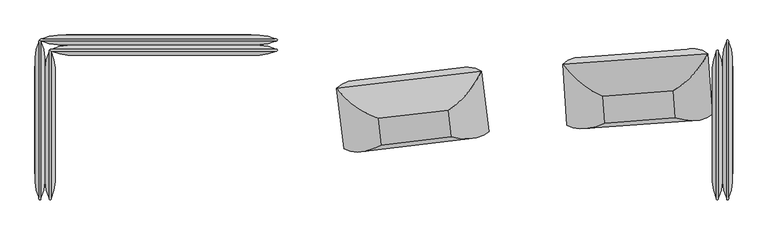
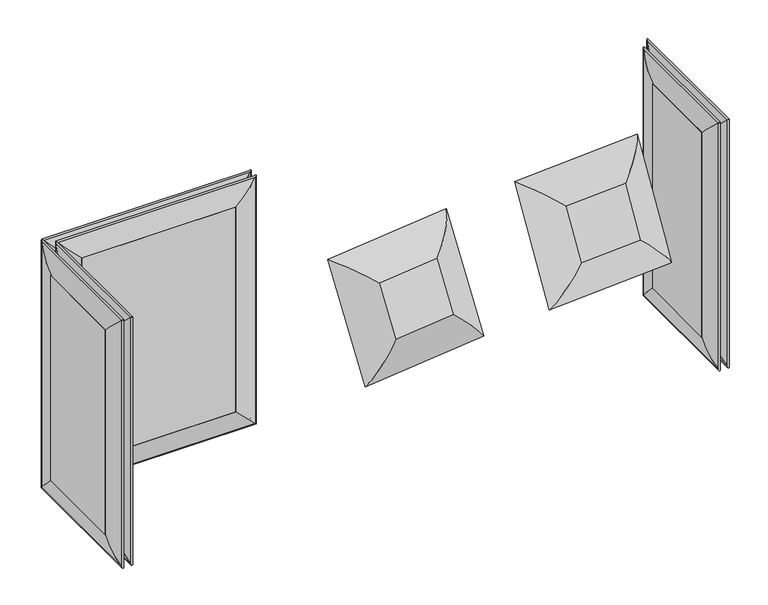
"""IFC4 building model written with IfcOpenShell, lengths in millimetres: furniture geometry."""

from ifc_helpers import new_model, si_unit, frame, origin, place, context, project, spatial, polyline, ellipse_curve, outline, extrude, source, transform, mapped, element, save
from ifc_brep_helpers import plane_surface, cylinder_surface, advanced_brep


def furniture_66ea86db(model_context):
    return source(origin(), model_context, "Body", "SolidModel", [
        advanced_brep(
        [(-1193.8, 410.5220019, 1163.5628297), (-1286.9313317, 425.266915, 1256.6941614), (-1286.9313317, 425.266915, 145.8277373), (-1193.8, 410.5220019, 238.959069), (-1193.8, 446.7279981, 1163.5628297), (-1193.8, 446.7279981, 238.959069), (-1286.9313317, 431.983085, 1256.6941614), (-1286.9313317, 431.983085, 145.8277373), (-405.3436683, 425.266915, 145.8277373), (-498.475, 410.5220019, 238.959069), (-498.475, 446.7279981, 238.959069), (-405.3436683, 431.983085, 145.8277373), (-405.3436683, 425.266915, 1256.6941614), (-498.475, 410.5220019, 1163.5628297), (-498.475, 446.7279981, 1163.5628297), (-405.3436683, 431.983085, 1256.6941614)],
        [
            (0, 1, ellipse_curve(frame((-1212.4967286, 593.9193158, 1182.2595584), z_axis=(-0.7071067811865475, 0.0, -0.7071067811865475), x_axis=(-0.7071067811865474, 0.0, 0.7071067811865476)), 260.707278, 184.3478842)),
            (1, 2),
            (2, 3, ellipse_curve(frame((-1212.4967286, 593.9193158, 220.2623404), z_axis=(-0.7071067811865475, 0.0, 0.7071067811865475), x_axis=(0.7071067811865474, 0.0, 0.7071067811865476)), 260.707278, 184.3478842)),
            (3, 0),
            (4, 0),
            (3, 5),
            (5, 4),
            (6, 4, ellipse_curve(frame((-1212.4967286, 263.3306842, 1182.2595584), z_axis=(-0.7071067811865475, 0.0, -0.7071067811865475), x_axis=(-0.7071067811865474, 0.0, 0.7071067811865476)), 260.707278, 184.3478842)),
            (5, 7, ellipse_curve(frame((-1212.4967286, 263.3306842, 220.2623404), z_axis=(-0.7071067811865475, 0.0, 0.7071067811865475), x_axis=(0.7071067811865474, 0.0, 0.7071067811865476)), 260.707278, 184.3478842)),
            (7, 6),
            (1, 6, ellipse_curve(frame((-1288.5494455, 428.625, 1258.3122753), z_axis=(-0.7071067811865475, 0.0, -0.7071067811865475), x_axis=(-0.7071067811865474, 0.0, 0.7071067811865476)), 5.2716273, 3.7276034)),
            (7, 2, ellipse_curve(frame((-1288.5494455, 428.625, 144.2096235), z_axis=(-0.7071067811865475, 0.0, 0.7071067811865475), x_axis=(0.7071067811865474, 0.0, 0.7071067811865476)), 5.2716273, 3.7276034)),
            (2, 8),
            (8, 9, ellipse_curve(frame((-479.7782714, 593.9193158, 220.2623404), z_axis=(-0.7071067811865475, 0.0, -0.7071067811865475), x_axis=(-0.7071067811865476, 0.0, 0.7071067811865474)), 260.707278, 184.3478842)),
            (9, 3),
            (9, 10),
            (10, 5),
            (10, 11, ellipse_curve(frame((-479.7782714, 263.3306842, 220.2623404), z_axis=(-0.7071067811865475, 0.0, -0.7071067811865475), x_axis=(-0.7071067811865476, 0.0, 0.7071067811865474)), 260.707278, 184.3478842)),
            (11, 7),
            (11, 8, ellipse_curve(frame((-403.7255545, 428.625, 144.2096235), z_axis=(-0.7071067811865475, 0.0, -0.7071067811865475), x_axis=(-0.7071067811865476, 0.0, 0.7071067811865474)), 5.2716273, 3.7276034)),
            (8, 12),
            (12, 13, ellipse_curve(frame((-479.7782714, 593.9193158, 1182.2595584), z_axis=(0.7071067811865475, 0.0, -0.7071067811865475), x_axis=(-0.7071067811865474, 0.0, -0.7071067811865476)), 260.707278, 184.3478842)),
            (13, 9),
            (13, 14),
            (14, 10),
            (14, 15, ellipse_curve(frame((-479.7782714, 263.3306842, 1182.2595584), z_axis=(0.7071067811865475, 0.0, -0.7071067811865475), x_axis=(-0.7071067811865474, 0.0, -0.7071067811865476)), 260.707278, 184.3478842)),
            (15, 11),
            (15, 12, ellipse_curve(frame((-403.7255545, 428.625, 1258.3122753), z_axis=(0.7071067811865475, 0.0, -0.7071067811865475), x_axis=(-0.7071067811865474, 0.0, -0.7071067811865476)), 5.2716273, 3.7276034)),
            (12, 1),
            (0, 13),
            (4, 14),
            (6, 15),
        ],
        [
            cylinder_surface(frame((-1212.4967286, 593.9193158, 1163.5628297), z_axis=(0.0, 0.0, 1.0), x_axis=(0.0, -1.0000000000000002, 0.0)), 184.3478842),
            plane_surface(frame((-1193.8, 410.5220019, 1163.5628297), z_axis=(1.0, 0.0, 0.0), x_axis=(0.0, 0.0, -1.0))),
            cylinder_surface(frame((-1212.4967286, 263.3306842, 1163.5628297), z_axis=(0.0, 0.0, 1.0), x_axis=(0.0, -1.0000000000000002, 0.0)), 184.3478842),
            cylinder_surface(frame((-1288.5494455, 428.625, 1163.5628297), z_axis=(0.0, 0.0, 1.0), x_axis=(0.0, -1.0000000000000002, 0.0)), 3.7276034),
            cylinder_surface(frame((-1193.8, 593.9193158, 220.2623404), z_axis=(-1.0000000000000002, 0.0, 0.0), x_axis=(0.0, -1.0000000000000002, 0.0)), 184.3478842),
            plane_surface(frame((-1193.8, 410.5220019, 238.959069), z_axis=(0.0, 0.0, 1.0), x_axis=(1.0, 0.0, 0.0))),
            cylinder_surface(frame((-1193.8, 263.3306842, 220.2623404), z_axis=(-1.0000000000000002, 0.0, 0.0), x_axis=(0.0, -1.0000000000000002, 0.0)), 184.3478842),
            cylinder_surface(frame((-1193.8, 428.625, 144.2096235), z_axis=(-1.0000000000000002, 0.0, 0.0), x_axis=(0.0, -1.0000000000000002, 0.0)), 3.7276034),
            cylinder_surface(frame((-479.7782714, 593.9193158, 238.959069), z_axis=(0.0, 0.0, -1.0), x_axis=(0.0, -1.0000000000000002, 0.0)), 184.3478842),
            plane_surface(frame((-498.475, 410.5220019, 238.959069), z_axis=(-1.0, 0.0, 0.0), x_axis=(0.0, 0.0, 1.0))),
            cylinder_surface(frame((-479.7782714, 263.3306842, 238.959069), z_axis=(0.0, 0.0, -1.0), x_axis=(0.0, -1.0000000000000002, 0.0)), 184.3478842),
            cylinder_surface(frame((-403.7255545, 428.625, 238.959069), z_axis=(0.0, 0.0, -1.0), x_axis=(0.0, -1.0000000000000002, 0.0)), 3.7276034),
            cylinder_surface(frame((-498.475, 593.9193158, 1182.2595584), z_axis=(1.0000000000000002, 0.0, 0.0), x_axis=(0.0, -1.0000000000000002, 0.0)), 184.3478842),
            plane_surface(frame((-498.475, 410.5220019, 1163.5628297), z_axis=(0.0, 0.0, -1.0), x_axis=(-1.0, 0.0, 0.0))),
            cylinder_surface(frame((-498.475, 263.3306842, 1182.2595584), z_axis=(1.0000000000000002, 0.0, 0.0), x_axis=(0.0, -1.0000000000000002, 0.0)), 184.3478842),
            cylinder_surface(frame((-498.475, 428.625, 1258.3122753), z_axis=(1.0000000000000002, 0.0, 0.0), x_axis=(0.0, -1.0000000000000002, 0.0)), 3.7276034),
        ],
        [
            (0, [[1, 2, 3, 4]]),
            (1, [[5, -4, 6, 7]]),
            (2, [[8, -7, 9, 10]]),
            (3, [[11, -10, 12, -2]]),
            (4, [[-3, 13, 14, 15]]),
            (5, [[-6, -15, 16, 17]]),
            (6, [[-9, -17, 18, 19]]),
            (7, [[-12, -19, 20, -13]]),
            (8, [[-14, 21, 22, 23]]),
            (9, [[-16, -23, 24, 25]]),
            (10, [[-18, -25, 26, 27]]),
            (11, [[-20, -27, 28, -21]]),
            (12, [[-22, 29, -1, 30]]),
            (13, [[-24, -30, -5, 31]]),
            (14, [[-26, -31, -8, 32]]),
            (15, [[-28, -32, -11, -29]]),
        ],
    ),
        extrude(outline(polyline([(-498.475, 447.675), (-498.475, 409.575), (-1193.8, 409.575), (-1193.8, 447.675), (-498.475, 447.675)])), frame((0.0, 0.0, 238.959069), z_axis=(0.0, 0.0, 1.0), x_axis=(1.0, 0.0, 0.0)), (0.0, 0.0, 1.0), 924.6037607),
        advanced_brep(
        [(-1155.7, 372.4220019, 1163.5628297), (-1248.8313317, 387.166915, 1256.6941614), (-1248.8313317, 387.166915, 145.8277373), (-1155.7, 372.4220019, 238.959069), (-1155.7, 408.6279981, 1163.5628297), (-1155.7, 408.6279981, 238.959069), (-1248.8313317, 393.883085, 1256.6941614), (-1248.8313317, 393.883085, 145.8277373), (-405.3436683, 387.166915, 145.8277373), (-498.475, 372.4220019, 238.959069), (-498.475, 408.6279981, 238.959069), (-405.3436683, 393.883085, 145.8277373), (-405.3436683, 387.166915, 1256.6941614), (-498.475, 372.4220019, 1163.5628297), (-498.475, 408.6279981, 1163.5628297), (-405.3436683, 393.883085, 1256.6941614)],
        [
            (0, 1, ellipse_curve(frame((-1174.3967286, 555.8193158, 1182.2595584), z_axis=(-0.7071067811865475, 0.0, -0.7071067811865475), x_axis=(-0.7071067811865474, 0.0, 0.7071067811865476)), 260.707278, 184.3478842)),
            (1, 2),
            (2, 3, ellipse_curve(frame((-1174.3967286, 555.8193158, 220.2623404), z_axis=(-0.7071067811865475, 0.0, 0.7071067811865475), x_axis=(0.7071067811865474, 0.0, 0.7071067811865476)), 260.707278, 184.3478842)),
            (3, 0),
            (4, 0),
            (3, 5),
            (5, 4),
            (6, 4, ellipse_curve(frame((-1174.3967286, 225.2306842, 1182.2595584), z_axis=(-0.7071067811865475, 0.0, -0.7071067811865475), x_axis=(-0.7071067811865474, 0.0, 0.7071067811865476)), 260.707278, 184.3478842)),
            (5, 7, ellipse_curve(frame((-1174.3967286, 225.2306842, 220.2623404), z_axis=(-0.7071067811865475, 0.0, 0.7071067811865475), x_axis=(0.7071067811865474, 0.0, 0.7071067811865476)), 260.707278, 184.3478842)),
            (7, 6),
            (1, 6, ellipse_curve(frame((-1250.4494455, 390.525, 1258.3122753), z_axis=(-0.7071067811865475, 0.0, -0.7071067811865475), x_axis=(-0.7071067811865474, 0.0, 0.7071067811865476)), 5.2716273, 3.7276034)),
            (7, 2, ellipse_curve(frame((-1250.4494455, 390.525, 144.2096235), z_axis=(-0.7071067811865475, 0.0, 0.7071067811865475), x_axis=(0.7071067811865474, 0.0, 0.7071067811865476)), 5.2716273, 3.7276034)),
            (2, 8),
            (8, 9, ellipse_curve(frame((-479.7782714, 555.8193158, 220.2623404), z_axis=(-0.7071067811865475, 0.0, -0.7071067811865475), x_axis=(-0.7071067811865476, 0.0, 0.7071067811865474)), 260.707278, 184.3478842)),
            (9, 3),
            (9, 10),
            (10, 5),
            (10, 11, ellipse_curve(frame((-479.7782714, 225.2306842, 220.2623404), z_axis=(-0.7071067811865475, 0.0, -0.7071067811865475), x_axis=(-0.7071067811865476, 0.0, 0.7071067811865474)), 260.707278, 184.3478842)),
            (11, 7),
            (11, 8, ellipse_curve(frame((-403.7255545, 390.525, 144.2096235), z_axis=(-0.7071067811865475, 0.0, -0.7071067811865475), x_axis=(-0.7071067811865476, 0.0, 0.7071067811865474)), 5.2716273, 3.7276034)),
            (8, 12),
            (12, 13, ellipse_curve(frame((-479.7782714, 555.8193158, 1182.2595584), z_axis=(0.7071067811865475, 0.0, -0.7071067811865475), x_axis=(-0.7071067811865474, 0.0, -0.7071067811865476)), 260.707278, 184.3478842)),
            (13, 9),
            (13, 14),
            (14, 10),
            (14, 15, ellipse_curve(frame((-479.7782714, 225.2306842, 1182.2595584), z_axis=(0.7071067811865475, 0.0, -0.7071067811865475), x_axis=(-0.7071067811865474, 0.0, -0.7071067811865476)), 260.707278, 184.3478842)),
            (15, 11),
            (15, 12, ellipse_curve(frame((-403.7255545, 390.525, 1258.3122753), z_axis=(0.7071067811865475, 0.0, -0.7071067811865475), x_axis=(-0.7071067811865474, 0.0, -0.7071067811865476)), 5.2716273, 3.7276034)),
            (12, 1),
            (0, 13),
            (4, 14),
            (6, 15),
        ],
        [
            cylinder_surface(frame((-1174.3967286, 555.8193158, 1163.5628297), z_axis=(0.0, 0.0, 1.0), x_axis=(0.0, -1.0000000000000002, 0.0)), 184.3478842),
            plane_surface(frame((-1155.7, 372.4220019, 1163.5628297), z_axis=(1.0, 0.0, 0.0), x_axis=(0.0, 0.0, -1.0))),
            cylinder_surface(frame((-1174.3967286, 225.2306842, 1163.5628297), z_axis=(0.0, 0.0, 1.0), x_axis=(0.0, -1.0000000000000002, 0.0)), 184.3478842),
            cylinder_surface(frame((-1250.4494455, 390.525, 1163.5628297), z_axis=(0.0, 0.0, 1.0), x_axis=(0.0, -1.0000000000000002, 0.0)), 3.7276034),
            cylinder_surface(frame((-1155.7, 555.8193158, 220.2623404), z_axis=(-1.0000000000000002, 0.0, 0.0), x_axis=(0.0, -1.0000000000000002, 0.0)), 184.3478842),
            plane_surface(frame((-1155.7, 372.4220019, 238.959069), z_axis=(0.0, 0.0, 1.0), x_axis=(1.0, 0.0, 0.0))),
            cylinder_surface(frame((-1155.7, 225.2306842, 220.2623404), z_axis=(-1.0000000000000002, 0.0, 0.0), x_axis=(0.0, -1.0000000000000002, 0.0)), 184.3478842),
            cylinder_surface(frame((-1155.7, 390.525, 144.2096235), z_axis=(-1.0000000000000002, 0.0, 0.0), x_axis=(0.0, -1.0000000000000002, 0.0)), 3.7276034),
            cylinder_surface(frame((-479.7782714, 555.8193158, 238.959069), z_axis=(0.0, 0.0, -1.0), x_axis=(0.0, -1.0000000000000002, 0.0)), 184.3478842),
            plane_surface(frame((-498.475, 372.4220019, 238.959069), z_axis=(-1.0, 0.0, 0.0), x_axis=(0.0, 0.0, 1.0))),
            cylinder_surface(frame((-479.7782714, 225.2306842, 238.959069), z_axis=(0.0, 0.0, -1.0), x_axis=(0.0, -1.0000000000000002, 0.0)), 184.3478842),
            cylinder_surface(frame((-403.7255545, 390.525, 238.959069), z_axis=(0.0, 0.0, -1.0), x_axis=(0.0, -1.0000000000000002, 0.0)), 3.7276034),
            cylinder_surface(frame((-498.475, 555.8193158, 1182.2595584), z_axis=(1.0000000000000002, 0.0, 0.0), x_axis=(0.0, -1.0000000000000002, 0.0)), 184.3478842),
            plane_surface(frame((-498.475, 372.4220019, 1163.5628297), z_axis=(0.0, 0.0, -1.0), x_axis=(-1.0, 0.0, 0.0))),
            cylinder_surface(frame((-498.475, 225.2306842, 1182.2595584), z_axis=(1.0000000000000002, 0.0, 0.0), x_axis=(0.0, -1.0000000000000002, 0.0)), 184.3478842),
            cylinder_surface(frame((-498.475, 390.525, 1258.3122753), z_axis=(1.0000000000000002, 0.0, 0.0), x_axis=(0.0, -1.0000000000000002, 0.0)), 3.7276034),
        ],
        [
            (0, [[1, 2, 3, 4]]),
            (1, [[5, -4, 6, 7]]),
            (2, [[8, -7, 9, 10]]),
            (3, [[11, -10, 12, -2]]),
            (4, [[-3, 13, 14, 15]]),
            (5, [[-6, -15, 16, 17]]),
            (6, [[-9, -17, 18, 19]]),
            (7, [[-12, -19, 20, -13]]),
            (8, [[-14, 21, 22, 23]]),
            (9, [[-16, -23, 24, 25]]),
            (10, [[-18, -25, 26, 27]]),
            (11, [[-20, -27, 28, -21]]),
            (12, [[-22, 29, -1, 30]]),
            (13, [[-24, -30, -5, 31]]),
            (14, [[-26, -31, -8, 32]]),
            (15, [[-28, -32, -11, -29]]),
        ],
    ),
        extrude(outline(polyline([(-498.475, 409.575), (-498.475, 371.475), (-1155.7, 371.475), (-1155.7, 409.575), (-498.475, 409.575)])), frame((0.0, 0.0, 238.959069), z_axis=(0.0, 0.0, 1.0), x_axis=(1.0, 0.0, 0.0)), (0.0, 0.0, 1.0), 924.6037607),
        advanced_brep(
        [(1236.0220019, -73.025, 1163.5628297), (1236.0220019, -73.025, 238.959069), (1250.766915, -166.1563317, 145.8277373), (1250.766915, -166.1563317, 1256.6941614), (1272.2279981, -73.025, 1163.5628297), (1272.2279981, -73.025, 238.959069), (1257.483085, -166.1563317, 1256.6941614), (1257.483085, -166.1563317, 145.8277373), (1236.0220019, 292.1, 238.959069), (1250.766915, 385.2313317, 145.8277373), (1272.2279981, 292.1, 238.959069), (1257.483085, 385.2313317, 145.8277373), (1236.0220019, 292.1, 1163.5628297), (1250.766915, 385.2313317, 1256.6941614), (1272.2279981, 292.1, 1163.5628297), (1257.483085, 385.2313317, 1256.6941614)],
        [
            (0, 1),
            (1, 2, ellipse_curve(frame((1419.4193158, -91.7217286, 220.2623404), z_axis=(0.0, -0.7071067811865475, 0.7071067811865475), x_axis=(0.0, 0.7071067811865474, 0.7071067811865476)), 260.707278, 184.3478842)),
            (2, 3),
            (3, 0, ellipse_curve(frame((1419.4193158, -91.7217286, 1182.2595584), z_axis=(0.0, -0.7071067811865475, -0.7071067811865475), x_axis=(0.0, -0.7071067811865474, 0.7071067811865476)), 260.707278, 184.3478842)),
            (4, 5),
            (5, 1),
            (0, 4),
            (6, 7),
            (7, 5, ellipse_curve(frame((1088.8306842, -91.7217286, 220.2623404), z_axis=(0.0, -0.7071067811865475, 0.7071067811865475), x_axis=(0.0, 0.7071067811865474, 0.7071067811865476)), 260.707278, 184.3478842)),
            (4, 6, ellipse_curve(frame((1088.8306842, -91.7217286, 1182.2595584), z_axis=(0.0, -0.7071067811865475, -0.7071067811865475), x_axis=(0.0, -0.7071067811865474, 0.7071067811865476)), 260.707278, 184.3478842)),
            (2, 7, ellipse_curve(frame((1254.125, -167.7744455, 144.2096235), z_axis=(0.0, -0.7071067811865475, 0.7071067811865475), x_axis=(0.0, 0.7071067811865474, 0.7071067811865476)), 5.2716273, 3.7276034)),
            (6, 3, ellipse_curve(frame((1254.125, -167.7744455, 1258.3122753), z_axis=(0.0, -0.7071067811865475, -0.7071067811865475), x_axis=(0.0, -0.7071067811865474, 0.7071067811865476)), 5.2716273, 3.7276034)),
            (1, 8),
            (8, 9, ellipse_curve(frame((1419.4193158, 310.7967286, 220.2623404), z_axis=(0.0, -0.7071067811865475, -0.7071067811865475), x_axis=(0.0, -0.7071067811865476, 0.7071067811865474)), 260.707278, 184.3478842)),
            (9, 2),
            (5, 10),
            (10, 8),
            (7, 11),
            (11, 10, ellipse_curve(frame((1088.8306842, 310.7967286, 220.2623404), z_axis=(0.0, -0.7071067811865475, -0.7071067811865475), x_axis=(0.0, -0.7071067811865476, 0.7071067811865474)), 260.707278, 184.3478842)),
            (9, 11, ellipse_curve(frame((1254.125, 386.8494455, 144.2096235), z_axis=(0.0, -0.7071067811865475, -0.7071067811865475), x_axis=(0.0, -0.7071067811865476, 0.7071067811865474)), 5.2716273, 3.7276034)),
            (8, 12),
            (12, 13, ellipse_curve(frame((1419.4193158, 310.7967286, 1182.2595584), z_axis=(0.0, 0.7071067811865475, -0.7071067811865475), x_axis=(0.0, -0.7071067811865474, -0.7071067811865476)), 260.707278, 184.3478842)),
            (13, 9),
            (10, 14),
            (14, 12),
            (11, 15),
            (15, 14, ellipse_curve(frame((1088.8306842, 310.7967286, 1182.2595584), z_axis=(0.0, 0.7071067811865475, -0.7071067811865475), x_axis=(0.0, -0.7071067811865474, -0.7071067811865476)), 260.707278, 184.3478842)),
            (13, 15, ellipse_curve(frame((1254.125, 386.8494455, 1258.3122753), z_axis=(0.0, 0.7071067811865475, -0.7071067811865475), x_axis=(0.0, -0.7071067811865474, -0.7071067811865476)), 5.2716273, 3.7276034)),
            (12, 0),
            (3, 13),
            (14, 4),
            (15, 6),
        ],
        [
            cylinder_surface(frame((1419.4193158, -91.7217286, 1163.5628297), z_axis=(0.0, 0.0, 1.0), x_axis=(-1.0000000000000002, 0.0, 0.0)), 184.3478842),
            plane_surface(frame((1236.0220019, -73.025, 1163.5628297), z_axis=(0.0, 1.0, 0.0), x_axis=(0.0, 0.0, -1.0))),
            cylinder_surface(frame((1088.8306842, -91.7217286, 1163.5628297), z_axis=(0.0, 0.0, 1.0), x_axis=(-1.0000000000000002, 0.0, 0.0)), 184.3478842),
            cylinder_surface(frame((1254.125, -167.7744455, 1163.5628297), z_axis=(0.0, 0.0, 1.0), x_axis=(-1.0000000000000002, 0.0, 0.0)), 3.7276034),
            cylinder_surface(frame((1419.4193158, -73.025, 220.2623404), z_axis=(0.0, -1.0000000000000002, 0.0), x_axis=(-1.0000000000000002, 0.0, 0.0)), 184.3478842),
            plane_surface(frame((1236.0220019, -73.025, 238.959069), z_axis=(0.0, 0.0, 1.0), x_axis=(0.0, 1.0, 0.0))),
            cylinder_surface(frame((1088.8306842, -73.025, 220.2623404), z_axis=(0.0, -1.0000000000000002, 0.0), x_axis=(-1.0000000000000002, 0.0, 0.0)), 184.3478842),
            cylinder_surface(frame((1254.125, -73.025, 144.2096235), z_axis=(0.0, -1.0000000000000002, 0.0), x_axis=(-1.0000000000000002, 0.0, 0.0)), 3.7276034),
            cylinder_surface(frame((1419.4193158, 310.7967286, 238.959069), z_axis=(0.0, 0.0, -1.0), x_axis=(-1.0000000000000002, 0.0, 0.0)), 184.3478842),
            plane_surface(frame((1236.0220019, 292.1, 238.959069), z_axis=(0.0, -1.0, 0.0), x_axis=(0.0, 0.0, 1.0))),
            cylinder_surface(frame((1088.8306842, 310.7967286, 238.959069), z_axis=(0.0, 0.0, -1.0), x_axis=(-1.0000000000000002, 0.0, 0.0)), 184.3478842),
            cylinder_surface(frame((1254.125, 386.8494455, 238.959069), z_axis=(0.0, 0.0, -1.0), x_axis=(-1.0000000000000002, 0.0, 0.0)), 3.7276034),
            cylinder_surface(frame((1419.4193158, 292.1, 1182.2595584), z_axis=(0.0, 1.0000000000000002, 0.0), x_axis=(-1.0000000000000002, 0.0, 0.0)), 184.3478842),
            plane_surface(frame((1236.0220019, 292.1, 1163.5628297), z_axis=(0.0, 0.0, -1.0), x_axis=(0.0, -1.0, 0.0))),
            cylinder_surface(frame((1088.8306842, 292.1, 1182.2595584), z_axis=(0.0, 1.0000000000000002, 0.0), x_axis=(-1.0000000000000002, 0.0, 0.0)), 184.3478842),
            cylinder_surface(frame((1254.125, 292.1, 1258.3122753), z_axis=(0.0, 1.0000000000000002, 0.0), x_axis=(-1.0000000000000002, 0.0, 0.0)), 3.7276034),
        ],
        [
            (0, [[1, 2, 3, 4]]),
            (1, [[5, 6, -1, 7]]),
            (2, [[8, 9, -5, 10]]),
            (3, [[-3, 11, -8, 12]]),
            (4, [[13, 14, 15, -2]]),
            (5, [[16, 17, -13, -6]]),
            (6, [[18, 19, -16, -9]]),
            (7, [[-15, 20, -18, -11]]),
            (8, [[21, 22, 23, -14]]),
            (9, [[24, 25, -21, -17]]),
            (10, [[26, 27, -24, -19]]),
            (11, [[-23, 28, -26, -20]]),
            (12, [[29, -4, 30, -22]]),
            (13, [[31, -7, -29, -25]]),
            (14, [[32, -10, -31, -27]]),
            (15, [[-30, -12, -32, -28]]),
        ],
    ),
        extrude(outline(polyline([(1273.175, 292.1), (1273.175, -73.025), (1235.075, -73.025), (1235.075, 292.1), (1273.175, 292.1)])), frame((0.0, 0.0, 238.959069), z_axis=(0.0, 0.0, 1.0), x_axis=(1.0, 0.0, 0.0)), (0.0, 0.0, 1.0), 924.6037607),
        advanced_brep(
        [(1274.1220019, -73.025, 1163.5628297), (1274.1220019, -73.025, 238.959069), (1288.866915, -166.1563317, 145.8277373), (1288.866915, -166.1563317, 1256.6941614), (1310.3279981, -73.025, 1163.5628297), (1310.3279981, -73.025, 238.959069), (1295.583085, -166.1563317, 1256.6941614), (1295.583085, -166.1563317, 145.8277373), (1274.1220019, 330.2, 238.959069), (1288.866915, 423.3313317, 145.8277373), (1310.3279981, 330.2, 238.959069), (1295.583085, 423.3313317, 145.8277373), (1274.1220019, 330.2, 1163.5628297), (1288.866915, 423.3313317, 1256.6941614), (1310.3279981, 330.2, 1163.5628297), (1295.583085, 423.3313317, 1256.6941614)],
        [
            (0, 1),
            (1, 2, ellipse_curve(frame((1457.5193158, -91.7217286, 220.2623404), z_axis=(0.0, -0.7071067811865475, 0.7071067811865475), x_axis=(0.0, 0.7071067811865474, 0.7071067811865476)), 260.707278, 184.3478842)),
            (2, 3),
            (3, 0, ellipse_curve(frame((1457.5193158, -91.7217286, 1182.2595584), z_axis=(0.0, -0.7071067811865475, -0.7071067811865475), x_axis=(0.0, -0.7071067811865474, 0.7071067811865476)), 260.707278, 184.3478842)),
            (4, 5),
            (5, 1),
            (0, 4),
            (6, 7),
            (7, 5, ellipse_curve(frame((1126.9306842, -91.7217286, 220.2623404), z_axis=(0.0, -0.7071067811865475, 0.7071067811865475), x_axis=(0.0, 0.7071067811865474, 0.7071067811865476)), 260.707278, 184.3478842)),
            (4, 6, ellipse_curve(frame((1126.9306842, -91.7217286, 1182.2595584), z_axis=(0.0, -0.7071067811865475, -0.7071067811865475), x_axis=(0.0, -0.7071067811865474, 0.7071067811865476)), 260.707278, 184.3478842)),
            (2, 7, ellipse_curve(frame((1292.225, -167.7744455, 144.2096235), z_axis=(0.0, -0.7071067811865475, 0.7071067811865475), x_axis=(0.0, 0.7071067811865474, 0.7071067811865476)), 5.2716273, 3.7276034)),
            (6, 3, ellipse_curve(frame((1292.225, -167.7744455, 1258.3122753), z_axis=(0.0, -0.7071067811865475, -0.7071067811865475), x_axis=(0.0, -0.7071067811865474, 0.7071067811865476)), 5.2716273, 3.7276034)),
            (1, 8),
            (8, 9, ellipse_curve(frame((1457.5193158, 348.8967286, 220.2623404), z_axis=(0.0, -0.7071067811865475, -0.7071067811865475), x_axis=(0.0, -0.7071067811865476, 0.7071067811865474)), 260.707278, 184.3478842)),
            (9, 2),
            (5, 10),
            (10, 8),
            (7, 11),
            (11, 10, ellipse_curve(frame((1126.9306842, 348.8967286, 220.2623404), z_axis=(0.0, -0.7071067811865475, -0.7071067811865475), x_axis=(0.0, -0.7071067811865476, 0.7071067811865474)), 260.707278, 184.3478842)),
            (9, 11, ellipse_curve(frame((1292.225, 424.9494455, 144.2096235), z_axis=(0.0, -0.7071067811865475, -0.7071067811865475), x_axis=(0.0, -0.7071067811865476, 0.7071067811865474)), 5.2716273, 3.7276034)),
            (8, 12),
            (12, 13, ellipse_curve(frame((1457.5193158, 348.8967286, 1182.2595584), z_axis=(0.0, 0.7071067811865475, -0.7071067811865475), x_axis=(0.0, -0.7071067811865474, -0.7071067811865476)), 260.707278, 184.3478842)),
            (13, 9),
            (10, 14),
            (14, 12),
            (11, 15),
            (15, 14, ellipse_curve(frame((1126.9306842, 348.8967286, 1182.2595584), z_axis=(0.0, 0.7071067811865475, -0.7071067811865475), x_axis=(0.0, -0.7071067811865474, -0.7071067811865476)), 260.707278, 184.3478842)),
            (13, 15, ellipse_curve(frame((1292.225, 424.9494455, 1258.3122753), z_axis=(0.0, 0.7071067811865475, -0.7071067811865475), x_axis=(0.0, -0.7071067811865474, -0.7071067811865476)), 5.2716273, 3.7276034)),
            (12, 0),
            (3, 13),
            (14, 4),
            (15, 6),
        ],
        [
            cylinder_surface(frame((1457.5193158, -91.7217286, 1163.5628297), z_axis=(0.0, 0.0, 1.0), x_axis=(-1.0000000000000002, 0.0, 0.0)), 184.3478842),
            plane_surface(frame((1274.1220019, -73.025, 1163.5628297), z_axis=(0.0, 1.0, 0.0), x_axis=(0.0, 0.0, -1.0))),
            cylinder_surface(frame((1126.9306842, -91.7217286, 1163.5628297), z_axis=(0.0, 0.0, 1.0), x_axis=(-1.0000000000000002, 0.0, 0.0)), 184.3478842),
            cylinder_surface(frame((1292.225, -167.7744455, 1163.5628297), z_axis=(0.0, 0.0, 1.0), x_axis=(-1.0000000000000002, 0.0, 0.0)), 3.7276034),
            cylinder_surface(frame((1457.5193158, -73.025, 220.2623404), z_axis=(0.0, -1.0000000000000002, 0.0), x_axis=(-1.0000000000000002, 0.0, 0.0)), 184.3478842),
            plane_surface(frame((1274.1220019, -73.025, 238.959069), z_axis=(0.0, 0.0, 1.0), x_axis=(0.0, 1.0, 0.0))),
            cylinder_surface(frame((1126.9306842, -73.025, 220.2623404), z_axis=(0.0, -1.0000000000000002, 0.0), x_axis=(-1.0000000000000002, 0.0, 0.0)), 184.3478842),
            cylinder_surface(frame((1292.225, -73.025, 144.2096235), z_axis=(0.0, -1.0000000000000002, 0.0), x_axis=(-1.0000000000000002, 0.0, 0.0)), 3.7276034),
            cylinder_surface(frame((1457.5193158, 348.8967286, 238.959069), z_axis=(0.0, 0.0, -1.0), x_axis=(-1.0000000000000002, 0.0, 0.0)), 184.3478842),
            plane_surface(frame((1274.1220019, 330.2, 238.959069), z_axis=(0.0, -1.0, 0.0), x_axis=(0.0, 0.0, 1.0))),
            cylinder_surface(frame((1126.9306842, 348.8967286, 238.959069), z_axis=(0.0, 0.0, -1.0), x_axis=(-1.0000000000000002, 0.0, 0.0)), 184.3478842),
            cylinder_surface(frame((1292.225, 424.9494455, 238.959069), z_axis=(0.0, 0.0, -1.0), x_axis=(-1.0000000000000002, 0.0, 0.0)), 3.7276034),
            cylinder_surface(frame((1457.5193158, 330.2, 1182.2595584), z_axis=(0.0, 1.0000000000000002, 0.0), x_axis=(-1.0000000000000002, 0.0, 0.0)), 184.3478842),
            plane_surface(frame((1274.1220019, 330.2, 1163.5628297), z_axis=(0.0, 0.0, -1.0), x_axis=(0.0, -1.0, 0.0))),
            cylinder_surface(frame((1126.9306842, 330.2, 1182.2595584), z_axis=(0.0, 1.0000000000000002, 0.0), x_axis=(-1.0000000000000002, 0.0, 0.0)), 184.3478842),
            cylinder_surface(frame((1292.225, 330.2, 1258.3122753), z_axis=(0.0, 1.0000000000000002, 0.0), x_axis=(-1.0000000000000002, 0.0, 0.0)), 3.7276034),
        ],
        [
            (0, [[1, 2, 3, 4]]),
            (1, [[5, 6, -1, 7]]),
            (2, [[8, 9, -5, 10]]),
            (3, [[-3, 11, -8, 12]]),
            (4, [[13, 14, 15, -2]]),
            (5, [[16, 17, -13, -6]]),
            (6, [[18, 19, -16, -9]]),
            (7, [[-15, 20, -18, -11]]),
            (8, [[21, 22, 23, -14]]),
            (9, [[24, 25, -21, -17]]),
            (10, [[26, 27, -24, -19]]),
            (11, [[-23, 28, -26, -20]]),
            (12, [[29, -4, 30, -22]]),
            (13, [[31, -7, -29, -25]]),
            (14, [[32, -10, -31, -27]]),
            (15, [[-30, -12, -32, -28]]),
        ],
    ),
        extrude(outline(polyline([(1311.275, 330.2), (1311.275, -73.025), (1273.175, -73.025), (1273.175, 330.2), (1311.275, 330.2)])), frame((0.0, 0.0, 238.959069), z_axis=(0.0, 0.0, 1.0), x_axis=(1.0, 0.0, 0.0)), (0.0, 0.0, 1.0), 924.6037607),
        advanced_brep(
        [(-1236.0220019, -73.025, 1163.5628297), (-1250.766915, -166.1563317, 1256.6941614), (-1250.766915, -166.1563317, 145.8277373), (-1236.0220019, -73.025, 238.959069), (-1272.2279981, -73.025, 1163.5628297), (-1272.2279981, -73.025, 238.959069), (-1257.483085, -166.1563317, 1256.6941614), (-1257.483085, -166.1563317, 145.8277373), (-1250.766915, 385.2313317, 145.8277373), (-1236.0220019, 292.1, 238.959069), (-1272.2279981, 292.1, 238.959069), (-1257.483085, 385.2313317, 145.8277373), (-1250.766915, 385.2313317, 1256.6941614), (-1236.0220019, 292.1, 1163.5628297), (-1272.2279981, 292.1, 1163.5628297), (-1257.483085, 385.2313317, 1256.6941614)],
        [
            (0, 1, ellipse_curve(frame((-1419.4193158, -91.7217286, 1182.2595584), z_axis=(0.0, -0.7071067811865475, -0.7071067811865475), x_axis=(0.0, -0.7071067811865474, 0.7071067811865476)), 260.707278, 184.3478842)),
            (1, 2),
            (2, 3, ellipse_curve(frame((-1419.4193158, -91.7217286, 220.2623404), z_axis=(0.0, -0.7071067811865475, 0.7071067811865475), x_axis=(0.0, 0.7071067811865474, 0.7071067811865476)), 260.707278, 184.3478842)),
            (3, 0),
            (4, 0),
            (3, 5),
            (5, 4),
            (6, 4, ellipse_curve(frame((-1088.8306842, -91.7217286, 1182.2595584), z_axis=(0.0, -0.7071067811865475, -0.7071067811865475), x_axis=(0.0, -0.7071067811865474, 0.7071067811865476)), 260.707278, 184.3478842)),
            (5, 7, ellipse_curve(frame((-1088.8306842, -91.7217286, 220.2623404), z_axis=(0.0, -0.7071067811865475, 0.7071067811865475), x_axis=(0.0, 0.7071067811865474, 0.7071067811865476)), 260.707278, 184.3478842)),
            (7, 6),
            (1, 6, ellipse_curve(frame((-1254.125, -167.7744455, 1258.3122753), z_axis=(0.0, -0.7071067811865475, -0.7071067811865475), x_axis=(0.0, -0.7071067811865474, 0.7071067811865476)), 5.2716273, 3.7276034)),
            (7, 2, ellipse_curve(frame((-1254.125, -167.7744455, 144.2096235), z_axis=(0.0, -0.7071067811865475, 0.7071067811865475), x_axis=(0.0, 0.7071067811865474, 0.7071067811865476)), 5.2716273, 3.7276034)),
            (2, 8),
            (8, 9, ellipse_curve(frame((-1419.4193158, 310.7967286, 220.2623404), z_axis=(0.0, -0.7071067811865475, -0.7071067811865475), x_axis=(0.0, -0.7071067811865476, 0.7071067811865474)), 260.707278, 184.3478842)),
            (9, 3),
            (9, 10),
            (10, 5),
            (10, 11, ellipse_curve(frame((-1088.8306842, 310.7967286, 220.2623404), z_axis=(0.0, -0.7071067811865475, -0.7071067811865475), x_axis=(0.0, -0.7071067811865476, 0.7071067811865474)), 260.707278, 184.3478842)),
            (11, 7),
            (11, 8, ellipse_curve(frame((-1254.125, 386.8494455, 144.2096235), z_axis=(0.0, -0.7071067811865475, -0.7071067811865475), x_axis=(0.0, -0.7071067811865476, 0.7071067811865474)), 5.2716273, 3.7276034)),
            (8, 12),
            (12, 13, ellipse_curve(frame((-1419.4193158, 310.7967286, 1182.2595584), z_axis=(0.0, 0.7071067811865475, -0.7071067811865475), x_axis=(0.0, -0.7071067811865474, -0.7071067811865476)), 260.707278, 184.3478842)),
            (13, 9),
            (13, 14),
            (14, 10),
            (14, 15, ellipse_curve(frame((-1088.8306842, 310.7967286, 1182.2595584), z_axis=(0.0, 0.7071067811865475, -0.7071067811865475), x_axis=(0.0, -0.7071067811865474, -0.7071067811865476)), 260.707278, 184.3478842)),
            (15, 11),
            (15, 12, ellipse_curve(frame((-1254.125, 386.8494455, 1258.3122753), z_axis=(0.0, 0.7071067811865475, -0.7071067811865475), x_axis=(0.0, -0.7071067811865474, -0.7071067811865476)), 5.2716273, 3.7276034)),
            (12, 1),
            (0, 13),
            (4, 14),
            (6, 15),
        ],
        [
            cylinder_surface(frame((-1419.4193158, -91.7217286, 1163.5628297), z_axis=(0.0, 0.0, 1.0), x_axis=(1.0000000000000002, 0.0, 0.0)), 184.3478842),
            plane_surface(frame((-1236.0220019, -73.025, 1163.5628297), z_axis=(0.0, 1.0, 0.0), x_axis=(0.0, 0.0, -1.0))),
            cylinder_surface(frame((-1088.8306842, -91.7217286, 1163.5628297), z_axis=(0.0, 0.0, 1.0), x_axis=(1.0000000000000002, 0.0, 0.0)), 184.3478842),
            cylinder_surface(frame((-1254.125, -167.7744455, 1163.5628297), z_axis=(0.0, 0.0, 1.0), x_axis=(1.0000000000000002, 0.0, 0.0)), 3.7276034),
            cylinder_surface(frame((-1419.4193158, -73.025, 220.2623404), z_axis=(0.0, -1.0000000000000002, 0.0), x_axis=(1.0000000000000002, 0.0, 0.0)), 184.3478842),
            plane_surface(frame((-1236.0220019, -73.025, 238.959069), z_axis=(0.0, 0.0, 1.0), x_axis=(0.0, 1.0, 0.0))),
            cylinder_surface(frame((-1088.8306842, -73.025, 220.2623404), z_axis=(0.0, -1.0000000000000002, 0.0), x_axis=(1.0000000000000002, 0.0, 0.0)), 184.3478842),
            cylinder_surface(frame((-1254.125, -73.025, 144.2096235), z_axis=(0.0, -1.0000000000000002, 0.0), x_axis=(1.0000000000000002, 0.0, 0.0)), 3.7276034),
            cylinder_surface(frame((-1419.4193158, 310.7967286, 238.959069), z_axis=(0.0, 0.0, -1.0), x_axis=(1.0000000000000002, 0.0, 0.0)), 184.3478842),
            plane_surface(frame((-1236.0220019, 292.1, 238.959069), z_axis=(0.0, -1.0, 0.0), x_axis=(0.0, 0.0, 1.0))),
            cylinder_surface(frame((-1088.8306842, 310.7967286, 238.959069), z_axis=(0.0, 0.0, -1.0), x_axis=(1.0000000000000002, 0.0, 0.0)), 184.3478842),
            cylinder_surface(frame((-1254.125, 386.8494455, 238.959069), z_axis=(0.0, 0.0, -1.0), x_axis=(1.0000000000000002, 0.0, 0.0)), 3.7276034),
            cylinder_surface(frame((-1419.4193158, 292.1, 1182.2595584), z_axis=(0.0, 1.0000000000000002, 0.0), x_axis=(1.0000000000000002, 0.0, 0.0)), 184.3478842),
            plane_surface(frame((-1236.0220019, 292.1, 1163.5628297), z_axis=(0.0, 0.0, -1.0), x_axis=(0.0, -1.0, 0.0))),
            cylinder_surface(frame((-1088.8306842, 292.1, 1182.2595584), z_axis=(0.0, 1.0000000000000002, 0.0), x_axis=(1.0000000000000002, 0.0, 0.0)), 184.3478842),
            cylinder_surface(frame((-1254.125, 292.1, 1258.3122753), z_axis=(0.0, 1.0000000000000002, 0.0), x_axis=(1.0000000000000002, 0.0, 0.0)), 3.7276034),
        ],
        [
            (0, [[1, 2, 3, 4]]),
            (1, [[5, -4, 6, 7]]),
            (2, [[8, -7, 9, 10]]),
            (3, [[11, -10, 12, -2]]),
            (4, [[-3, 13, 14, 15]]),
            (5, [[-6, -15, 16, 17]]),
            (6, [[-9, -17, 18, 19]]),
            (7, [[-12, -19, 20, -13]]),
            (8, [[-14, 21, 22, 23]]),
            (9, [[-16, -23, 24, 25]]),
            (10, [[-18, -25, 26, 27]]),
            (11, [[-20, -27, 28, -21]]),
            (12, [[-22, 29, -1, 30]]),
            (13, [[-24, -30, -5, 31]]),
            (14, [[-26, -31, -8, 32]]),
            (15, [[-28, -32, -11, -29]]),
        ],
    ),
        extrude(outline(polyline([(-1273.175, 292.1), (-1235.075, 292.1), (-1235.075, -73.025), (-1273.175, -73.025), (-1273.175, 292.1)])), frame((0.0, 0.0, 238.959069), z_axis=(0.0, 0.0, 1.0), x_axis=(1.0, 0.0, 0.0)), (0.0, 0.0, 1.0), 924.6037607),
        advanced_brep(
        [(-1274.1220019, -73.025, 1163.5628297), (-1288.866915, -166.1563317, 1256.6941614), (-1288.866915, -166.1563317, 145.8277373), (-1274.1220019, -73.025, 238.959069), (-1310.3279981, -73.025, 1163.5628297), (-1310.3279981, -73.025, 238.959069), (-1295.583085, -166.1563317, 1256.6941614), (-1295.583085, -166.1563317, 145.8277373), (-1288.866915, 423.3313317, 145.8277373), (-1274.1220019, 330.2, 238.959069), (-1310.3279981, 330.2, 238.959069), (-1295.583085, 423.3313317, 145.8277373), (-1288.866915, 423.3313317, 1256.6941614), (-1274.1220019, 330.2, 1163.5628297), (-1310.3279981, 330.2, 1163.5628297), (-1295.583085, 423.3313317, 1256.6941614)],
        [
            (0, 1, ellipse_curve(frame((-1457.5193158, -91.7217286, 1182.2595584), z_axis=(0.0, -0.7071067811865475, -0.7071067811865475), x_axis=(0.0, -0.7071067811865474, 0.7071067811865476)), 260.707278, 184.3478842)),
            (1, 2),
            (2, 3, ellipse_curve(frame((-1457.5193158, -91.7217286, 220.2623404), z_axis=(0.0, -0.7071067811865475, 0.7071067811865475), x_axis=(0.0, 0.7071067811865474, 0.7071067811865476)), 260.707278, 184.3478842)),
            (3, 0),
            (4, 0),
            (3, 5),
            (5, 4),
            (6, 4, ellipse_curve(frame((-1126.9306842, -91.7217286, 1182.2595584), z_axis=(0.0, -0.7071067811865475, -0.7071067811865475), x_axis=(0.0, -0.7071067811865474, 0.7071067811865476)), 260.707278, 184.3478842)),
            (5, 7, ellipse_curve(frame((-1126.9306842, -91.7217286, 220.2623404), z_axis=(0.0, -0.7071067811865475, 0.7071067811865475), x_axis=(0.0, 0.7071067811865474, 0.7071067811865476)), 260.707278, 184.3478842)),
            (7, 6),
            (1, 6, ellipse_curve(frame((-1292.225, -167.7744455, 1258.3122753), z_axis=(0.0, -0.7071067811865475, -0.7071067811865475), x_axis=(0.0, -0.7071067811865474, 0.7071067811865476)), 5.2716273, 3.7276034)),
            (7, 2, ellipse_curve(frame((-1292.225, -167.7744455, 144.2096235), z_axis=(0.0, -0.7071067811865475, 0.7071067811865475), x_axis=(0.0, 0.7071067811865474, 0.7071067811865476)), 5.2716273, 3.7276034)),
            (2, 8),
            (8, 9, ellipse_curve(frame((-1457.5193158, 348.8967286, 220.2623404), z_axis=(0.0, -0.7071067811865475, -0.7071067811865475), x_axis=(0.0, -0.7071067811865476, 0.7071067811865474)), 260.707278, 184.3478842)),
            (9, 3),
            (9, 10),
            (10, 5),
            (10, 11, ellipse_curve(frame((-1126.9306842, 348.8967286, 220.2623404), z_axis=(0.0, -0.7071067811865475, -0.7071067811865475), x_axis=(0.0, -0.7071067811865476, 0.7071067811865474)), 260.707278, 184.3478842)),
            (11, 7),
            (11, 8, ellipse_curve(frame((-1292.225, 424.9494455, 144.2096235), z_axis=(0.0, -0.7071067811865475, -0.7071067811865475), x_axis=(0.0, -0.7071067811865476, 0.7071067811865474)), 5.2716273, 3.7276034)),
            (8, 12),
            (12, 13, ellipse_curve(frame((-1457.5193158, 348.8967286, 1182.2595584), z_axis=(0.0, 0.7071067811865475, -0.7071067811865475), x_axis=(0.0, -0.7071067811865474, -0.7071067811865476)), 260.707278, 184.3478842)),
            (13, 9),
            (13, 14),
            (14, 10),
            (14, 15, ellipse_curve(frame((-1126.9306842, 348.8967286, 1182.2595584), z_axis=(0.0, 0.7071067811865475, -0.7071067811865475), x_axis=(0.0, -0.7071067811865474, -0.7071067811865476)), 260.707278, 184.3478842)),
            (15, 11),
            (15, 12, ellipse_curve(frame((-1292.225, 424.9494455, 1258.3122753), z_axis=(0.0, 0.7071067811865475, -0.7071067811865475), x_axis=(0.0, -0.7071067811865474, -0.7071067811865476)), 5.2716273, 3.7276034)),
            (12, 1),
            (0, 13),
            (4, 14),
            (6, 15),
        ],
        [
            cylinder_surface(frame((-1457.5193158, -91.7217286, 1163.5628297), z_axis=(0.0, 0.0, 1.0), x_axis=(1.0000000000000002, 0.0, 0.0)), 184.3478842),
            plane_surface(frame((-1274.1220019, -73.025, 1163.5628297), z_axis=(0.0, 1.0, 0.0), x_axis=(0.0, 0.0, -1.0))),
            cylinder_surface(frame((-1126.9306842, -91.7217286, 1163.5628297), z_axis=(0.0, 0.0, 1.0), x_axis=(1.0000000000000002, 0.0, 0.0)), 184.3478842),
            cylinder_surface(frame((-1292.225, -167.7744455, 1163.5628297), z_axis=(0.0, 0.0, 1.0), x_axis=(1.0000000000000002, 0.0, 0.0)), 3.7276034),
            cylinder_surface(frame((-1457.5193158, -73.025, 220.2623404), z_axis=(0.0, -1.0000000000000002, 0.0), x_axis=(1.0000000000000002, 0.0, 0.0)), 184.3478842),
            plane_surface(frame((-1274.1220019, -73.025, 238.959069), z_axis=(0.0, 0.0, 1.0), x_axis=(0.0, 1.0, 0.0))),
            cylinder_surface(frame((-1126.9306842, -73.025, 220.2623404), z_axis=(0.0, -1.0000000000000002, 0.0), x_axis=(1.0000000000000002, 0.0, 0.0)), 184.3478842),
            cylinder_surface(frame((-1292.225, -73.025, 144.2096235), z_axis=(0.0, -1.0000000000000002, 0.0), x_axis=(1.0000000000000002, 0.0, 0.0)), 3.7276034),
            cylinder_surface(frame((-1457.5193158, 348.8967286, 238.959069), z_axis=(0.0, 0.0, -1.0), x_axis=(1.0000000000000002, 0.0, 0.0)), 184.3478842),
            plane_surface(frame((-1274.1220019, 330.2, 238.959069), z_axis=(0.0, -1.0, 0.0), x_axis=(0.0, 0.0, 1.0))),
            cylinder_surface(frame((-1126.9306842, 348.8967286, 238.959069), z_axis=(0.0, 0.0, -1.0), x_axis=(1.0000000000000002, 0.0, 0.0)), 184.3478842),
            cylinder_surface(frame((-1292.225, 424.9494455, 238.959069), z_axis=(0.0, 0.0, -1.0), x_axis=(1.0000000000000002, 0.0, 0.0)), 3.7276034),
            cylinder_surface(frame((-1457.5193158, 330.2, 1182.2595584), z_axis=(0.0, 1.0000000000000002, 0.0), x_axis=(1.0000000000000002, 0.0, 0.0)), 184.3478842),
            plane_surface(frame((-1274.1220019, 330.2, 1163.5628297), z_axis=(0.0, 0.0, -1.0), x_axis=(0.0, -1.0, 0.0))),
            cylinder_surface(frame((-1126.9306842, 330.2, 1182.2595584), z_axis=(0.0, 1.0000000000000002, 0.0), x_axis=(1.0000000000000002, 0.0, 0.0)), 184.3478842),
            cylinder_surface(frame((-1292.225, 330.2, 1258.3122753), z_axis=(0.0, 1.0000000000000002, 0.0), x_axis=(1.0000000000000002, 0.0, 0.0)), 3.7276034),
        ],
        [
            (0, [[1, 2, 3, 4]]),
            (1, [[5, -4, 6, 7]]),
            (2, [[8, -7, 9, 10]]),
            (3, [[11, -10, 12, -2]]),
            (4, [[-3, 13, 14, 15]]),
            (5, [[-6, -15, 16, 17]]),
            (6, [[-9, -17, 18, 19]]),
            (7, [[-12, -19, 20, -13]]),
            (8, [[-14, 21, 22, 23]]),
            (9, [[-16, -23, 24, 25]]),
            (10, [[-18, -25, 26, 27]]),
            (11, [[-20, -27, 28, -21]]),
            (12, [[-22, 29, -1, 30]]),
            (13, [[-24, -30, -5, 31]]),
            (14, [[-26, -31, -8, 32]]),
            (15, [[-28, -32, -11, -29]]),
        ],
    ),
        extrude(outline(polyline([(-1311.275, 330.2), (-1273.175, 330.2), (-1273.175, -73.025), (-1311.275, -73.025), (-1311.275, 330.2)])), frame((0.0, 0.0, 238.959069), z_axis=(0.0, 0.0, 1.0), x_axis=(1.0, 0.0, 0.0)), (0.0, 0.0, 1.0), 924.6037607),
        advanced_brep(
        [(829.3074944, 116.8452841, 601.3597902), (822.287977, 217.6219867, 799.6219453), (673.0963485, 336.9593889, 890.9951012), (688.9594001, 109.219228, 442.9525085), (812.0926362, 353.0281877, 730.4339713), (819.1121536, 252.2514851, 532.1718162), (1088.2806495, 237.3404475, 799.0165788), (1218.6570301, 377.402672, 889.7534724), (1078.0853087, 372.7466486, 729.8286048), (1095.3001669, 136.5637449, 600.7544237), (1234.5200817, 149.6625111, 441.7108798), (1085.1048261, 271.969946, 531.5664497)],
        [
            (0, 1),
            (1, 2, ellipse_curve(frame((819.2741711, 379.7137522, 706.8116554), z_axis=(-0.682863446772471, -0.3725223892997134, -0.6284302527189898), x_axis=(0.7274765257201012, -0.26797163879017943, -0.6316400124519633)), 263.8641638, 186.5801395)),
            (2, 3),
            (3, 0, ellipse_curve(frame((825.7139762, 287.2597722, 524.923135), z_axis=(-0.7274765257201, 0.26797163879018027, 0.6316400124519643), x_axis=(-0.6828634467724722, -0.3725223892997128, -0.6284302527189888)), 263.8641638, 186.5801395)),
            (2, 4, ellipse_curve(frame((828.6296727, 196.8947673, 805.0176771), z_axis=(-0.682863446772471, -0.3725223892997134, -0.6284302527189898), x_axis=(0.7274765257201012, -0.26797163879017943, -0.6316400124519633)), 245.7274984, 173.7555804)),
            (4, 5),
            (5, 3, ellipse_curve(frame((835.3476244, 100.4475364, 615.2730698), z_axis=(-0.7274765257201, 0.26797163879018027, 0.6316400124519643), x_axis=(-0.6828634467724722, -0.3725223892997128, -0.6284302527189888)), 245.7274984, 173.7555804)),
            (1, 6),
            (6, 7, ellipse_curve(frame((1066.9405707, 398.0736573, 706.2479973), z_axis=(-0.7274765257201008, 0.26797163879017943, 0.6316400124519638), x_axis=(-0.6828634467724717, -0.3725223892997128, -0.6284302527189893)), 263.8641638, 186.5801395)),
            (7, 2),
            (7, 8, ellipse_curve(frame((1085.0890371, 215.9065089, 804.4340072), z_axis=(-0.7274765257201008, 0.26797163879017943, 0.6316400124519638), x_axis=(-0.6828634467724717, -0.3725223892997128, -0.6284302527189893)), 245.7274984, 173.7555804)),
            (8, 4),
            (6, 9),
            (9, 10, ellipse_curve(frame((1073.3803758, 305.6196773, 524.3594769), z_axis=(0.6828634467724729, 0.3725223892997124, 0.6284302527189884), x_axis=(-0.7274765257200996, 0.2679716387901802, 0.631640012451965)), 263.8641638, 186.5801395)),
            (10, 7),
            (10, 11, ellipse_curve(frame((1091.8069887, 119.4592779, 614.6893999), z_axis=(0.6828634467724729, 0.3725223892997124, 0.6284302527189884), x_axis=(-0.7274765257200996, 0.2679716387901802, 0.631640012451965)), 245.7274984, 173.7555804)),
            (11, 8),
            (3, 10),
            (9, 0),
            (5, 11),
        ],
        [
            cylinder_surface(frame((826.0038324, 283.0984109, 516.7363177), z_axis=(0.03154621065347943, -0.4528976705718505, -0.8910042292739123), x_axis=(0.9972609583279474, 0.07392854466343413, -0.0022696428731658037)), 186.5801395),
            cylinder_surface(frame((835.4984073, 98.2828006, 611.0142959), z_axis=(0.03154621065347943, -0.4528976705718505, -0.8910042292739123), x_axis=(0.9972609583279474, 0.07392854466343413, -0.0022696428731658037)), 173.7555804),
            cylinder_surface(frame((810.1110347, 379.0344743, 706.8325096), z_axis=(-0.9972609583279473, -0.0739285446634347, 0.0022696428731643573), x_axis=(0.03154621065348094, -0.45289767057184993, -0.8910042292739123)), 186.5801395),
            cylinder_surface(frame((823.8630187, 196.5414077, 805.0285254), z_axis=(-0.9972609583279473, -0.0739285446634347, 0.0022696428731643573), x_axis=(0.03154621065348094, -0.45289767057184993, -0.8910042292739123)), 173.7555804),
            cylinder_surface(frame((1066.6507146, 402.2350185, 714.4348146), z_axis=(-0.03154621065347814, 0.4528976705718502, 0.8910042292739125), x_axis=(-0.9972609583279475, -0.07392854466343347, 0.0022696428731668883)), 186.5801395),
            cylinder_surface(frame((1084.9382542, 218.0712447, 808.6927811), z_axis=(-0.03154621065347814, 0.4528976705718502, 0.8910042292739125), x_axis=(-0.9972609583279475, -0.07392854466343347, 0.0022696428731668883)), 173.7555804),
            cylinder_surface(frame((1082.5435123, 306.2989552, 524.3386227), z_axis=(0.9972609583279473, 0.07392854466343284, -0.00226964287316752), x_axis=(-0.03154621065347727, 0.45289767057184993, 0.8910042292739123)), 186.5801395),
            cylinder_surface(frame((1096.5736428, 119.8126376, 614.6785516), z_axis=(0.9972609583279473, 0.07392854466343284, -0.00226964287316752), x_axis=(-0.03154621065347727, 0.45289767057184993, 0.8910042292739123)), 173.7555804),
            plane_surface(frame((1095.3001669, 136.5637449, 600.7544237), z_axis=(0.06689856192947163, -0.8884921329277704, 0.4539893304222359), x_axis=(-0.9972609583279469, -0.0739285446634333, 0.0022696428731668085))),
            plane_surface(frame((1085.1048261, 271.969946, 531.5664497), z_axis=(-0.06689856192947163, 0.8884921329277704, -0.4539893304222359), x_axis=(0.9972609583279469, 0.0739285446634333, -0.0022696428731668085))),
        ],
        [
            (0, [[1, 2, 3, 4]]),
            (1, [[5, 6, 7, -3]]),
            (2, [[8, 9, 10, -2]]),
            (3, [[-10, 11, 12, -5]]),
            (4, [[13, 14, 15, -9]]),
            (5, [[-15, 16, 17, -11]]),
            (6, [[18, -14, 19, -4]]),
            (7, [[20, -16, -18, -7]]),
            (8, [[-19, -13, -8, -1]]),
            (9, [[-12, -17, -20, -6]]),
        ],
    ),
        advanced_brep(
        [(255.240141, 65.2014479, 601.3597902), (394.4647657, 84.4951829, 442.9525085), (366.581497, 311.0779285, 890.9951012), (242.9015887, 165.4659857, 799.6219453), (239.4114435, 200.0652184, 532.1718162), (227.0728913, 300.3297562, 730.4339713), (-176.6726405, 246.680269, 889.7534724), (-21.9665089, 134.0683683, 799.0165788), (-37.7952063, 268.9321388, 729.8286048), (-148.7893718, 20.0975233, 441.7108798), (-9.6279566, 33.8038305, 600.7544237), (-25.4566541, 168.667601, 531.5664497)],
        [
            (0, 1, ellipse_curve(frame((226.2510189, 233.1706175, 524.923135), z_axis=(0.6629793337799581, 0.4018573100621228, 0.6316400124519643), x_axis=(0.7413979447921711, -0.23538161552146022, -0.6284302527189888)), 263.8641638, 186.5801395)),
            (1, 2),
            (2, 3, ellipse_curve(frame((214.9314556, 325.1547303, 706.8116554), z_axis=(0.74139794479217, -0.23538161552146097, -0.6284302527189898), x_axis=(-0.6629793337799593, -0.4018573100621223, -0.6316400124519634)), 263.8641638, 186.5801395)),
            (3, 0),
            (1, 4, ellipse_curve(frame((252.439823, 47.9524619, 615.2730698), z_axis=(0.6629793337799581, 0.4018573100621228, 0.6316400124519643), x_axis=(0.7413979447921711, -0.23538161552146022, -0.6284302527189888)), 245.7274984, 173.7555804)),
            (4, 5),
            (5, 2, ellipse_curve(frame((240.6313477, 143.9095312, 805.0176771), z_axis=(0.74139794479217, -0.23538161552146097, -0.6284302527189898), x_axis=(-0.6629793337799593, -0.4018573100621223, -0.6316400124519634)), 245.7274984, 173.7555804)),
            (2, 6),
            (6, 7, ellipse_curve(frame((-31.6878497, 295.9203352, 706.2479973), z_axis=(0.6629793337799591, 0.4018573100621221, 0.6316400124519638), x_axis=(0.7413979447921704, -0.23538161552146047, -0.6284302527189896)), 263.8641638, 186.5801395)),
            (7, 3),
            (5, 8),
            (8, 6, ellipse_curve(frame((-14.743747, 113.6372198, 804.4340072), z_axis=(0.6629793337799591, 0.4018573100621221, 0.6316400124519638), x_axis=(0.7413979447921704, -0.23538161552146047, -0.6284302527189896)), 245.7274984, 173.7555804)),
            (6, 9),
            (9, 10, ellipse_curve(frame((-20.3682864, 203.9362225, 524.3594769), z_axis=(-0.7413979447921716, 0.23538161552145967, 0.6284302527189884), x_axis=(0.6629793337799577, 0.4018573100621228, 0.6316400124519651)), 263.8641638, 186.5801395)),
            (10, 7),
            (8, 11),
            (11, 9, ellipse_curve(frame((-2.9352718, 17.6801506, 614.6893999), z_axis=(-0.7413979447921716, 0.23538161552145967, 0.6284302527189884), x_axis=(0.6629793337799577, 0.4018573100621228, 0.6316400124519651)), 245.7274984, 173.7555804)),
            (0, 10),
            (9, 1),
            (11, 4),
        ],
        [
            cylinder_surface(frame((226.7605134, 229.030405, 516.7363177), z_axis=(0.055450331617964914, -0.4505959655161815, -0.8910042292739123), x_axis=(-0.9930446970226626, -0.11771609251244215, -0.0022696428731658037)), 186.5801395),
            cylinder_surface(frame((252.7048615, 45.7987277, 611.0142959), z_axis=(0.055450331617964914, -0.4505959655161815, -0.8910042292739123), x_axis=(-0.9930446970226626, -0.11771609251244215, -0.0022696428731658037)), 173.7555804),
            cylinder_surface(frame((224.0558517, 326.2363415, 706.8325096), z_axis=(0.9930446970226625, 0.11771609251244157, 0.0022696428731643573), x_axis=(0.05545033161796333, -0.4505959655161813, -0.8910042292739123)), 186.5801395),
            cylinder_surface(frame((245.3778492, 144.4721842, 805.0285254), z_axis=(0.9930446970226625, 0.11771609251244157, 0.0022696428731643573), x_axis=(0.05545033161796333, -0.4505959655161813, -0.8910042292739123)), 173.7555804),
            cylinder_surface(frame((-32.1973442, 300.0605478, 714.4348146), z_axis=(-0.05545033161796614, 0.45059596551618103, 0.8910042292739125), x_axis=(0.9930446970226625, 0.1177160925124428, 0.0022696428731668883)), 186.5801395),
            cylinder_surface(frame((-15.0087855, 115.7909541, 808.6927811), z_axis=(-0.05545033161796614, 0.45059596551618103, 0.8910042292739125), x_axis=(0.9930446970226625, 0.1177160925124428, 0.0022696428731668883)), 173.7555804),
            cylinder_surface(frame((-29.4926826, 202.8546113, 524.3386227), z_axis=(-0.9930446970226622, -0.1177160925124434, -0.00226964287316752), x_axis=(-0.05545033161796694, 0.4505959655161806, 0.8910042292739123)), 186.5801395),
            cylinder_surface(frame((-7.6817732, 17.1174975, 614.6785516), z_axis=(-0.9930446970226622, -0.1177160925124434, -0.00226964287316752), x_axis=(-0.05545033161796694, 0.4505959655161806, 0.8910042292739123)), 173.7555804),
            plane_surface(frame((-9.6279566, 33.8038305, 600.7544237), z_axis=(0.10386284436037418, -0.8849328773551941, 0.45398933042223594), x_axis=(0.993044697022662, 0.11771609251244286, 0.0022696428731668085))),
            plane_surface(frame((-25.4566541, 168.667601, 531.5664497), z_axis=(-0.10386284436037418, 0.8849328773551941, -0.45398933042223594), x_axis=(-0.993044697022662, -0.11771609251244286, -0.0022696428731668085))),
        ],
        [
            (0, [[1, 2, 3, 4]]),
            (1, [[-2, 5, 6, 7]]),
            (2, [[-3, 8, 9, 10]]),
            (3, [[-7, 11, 12, -8]]),
            (4, [[-9, 13, 14, 15]]),
            (5, [[-12, 16, 17, -13]]),
            (6, [[-1, 18, -14, 19]]),
            (7, [[-5, -19, -17, 20]]),
            (8, [[-4, -10, -15, -18]]),
            (9, [[-6, -20, -16, -11]]),
        ],
    ),
    ])


if __name__ == "__main__":
    model = new_model("IFC4")
    model_context = context("Model", 3, world=origin())
    ifc_project = project(units=[si_unit("LENGTHUNIT", "METRE", prefix="MILLI")], contexts=[model_context])
    site = spatial("IfcSite", under=ifc_project)
    building = spatial("IfcBuilding", under=site)
    placement = place(None, origin())
    furniture_shape = furniture_66ea86db(model_context)
    element("IfcFurniture", 1, at=placement, inside=building, context=model_context, shape_type="MappedRepresentation", body=[
        mapped(furniture_shape, transform((0.0, 0.0, 0.0), x_axis=(1.0, 0.0, 0.0), y_axis=(0.0, 1.0, 0.0), z_axis=(0.0, 0.0, 1.0))),
    ])
    save(model, "model.ifc")
